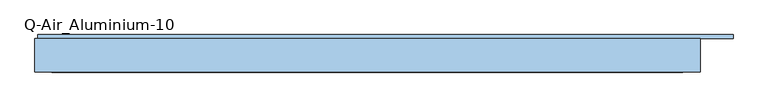
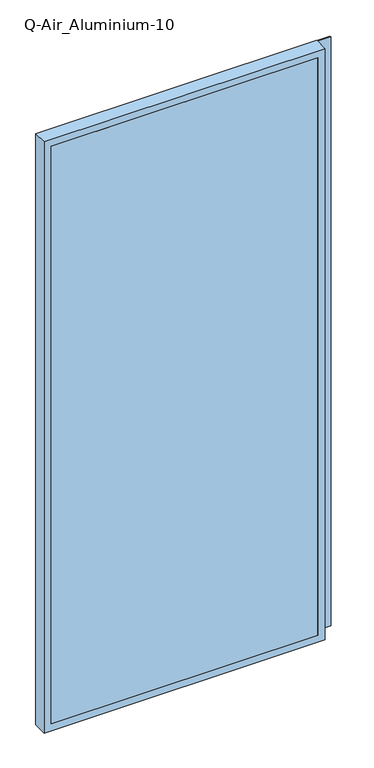
"""IFC4 building model written with IfcOpenShell, lengths in millimetres: window geometry, Q-Air_Aluminium-10."""

import ifcopenshell
import ifcopenshell.guid

model = None  # the IFC model being written
_history = None  # IfcOwnerHistory: only IFC2X3 demands one
_inside = {}  # id of a spatial element -> (the spatial element, [elements in it])
_under = {}  # id of a project, library or spatial element -> (it, [spatial elements below it])
_declared = {}  # id of a project -> (the project, [libraries it declares])
_typed = {}  # id of a type object -> (the type object, [elements of that type])
_made_of = {}  # id of a material, layer set ... -> (it, [elements and type objects made of it])


def new_model(schema):
    """Start an empty IFC model of exactly this schema.

    Asked for "IFC4X3", IfcOpenShell would pick the latest addendum, in which some entities
    have other attributes; the version numbers below select the first issue.
    IFC2X3 requires an IfcOwnerHistory on every rooted entity: one is made here for all.
    """
    global model, _history
    if schema == "IFC4X3":
        model = ifcopenshell.file(schema_version=(4, 3, 0, 0))
    else:
        model = ifcopenshell.file(schema=schema)
    _inside.clear()
    _under.clear()
    _declared.clear()
    _typed.clear()
    _made_of.clear()
    _history = None
    if model.schema == "IFC2X3":
        org = make("IfcOrganization", Name="unknown")
        user = make(
            "IfcPersonAndOrganization",
            ThePerson=make("IfcPerson", FamilyName="unknown"),
            TheOrganization=org,
        )
        app = make(
            "IfcApplication",
            ApplicationDeveloper=org,
            Version="unknown",
            ApplicationFullName="unknown",
            ApplicationIdentifier="unknown",
        )
        _history = make(
            "IfcOwnerHistory",
            OwningUser=user,
            OwningApplication=app,
            ChangeAction="ADDED",
            CreationDate=0,
        )
    return model


def make(cls, **values):
    """One entity of the class cls with the attributes given. An attribute that is None is left unset."""
    return model.create_entity(
        cls, **{name: value for name, value in values.items() if value is not None}
    )


def rooted(cls, **values):
    """An entity with a GlobalId (a new one), such as an element, a storey or a relation."""
    return make(cls, GlobalId=ifcopenshell.guid.new(), OwnerHistory=_history, **values)


def si_unit(unit_type, name, prefix=None):
    """IfcSIUnit, for example si_unit("LENGTHUNIT", "METRE", prefix="MILLI")."""
    return make("IfcSIUnit", UnitType=unit_type, Prefix=prefix, Name=name)


def assignment(units):
    """IfcUnitAssignment: the units of a project."""
    return None if units is None else make("IfcUnitAssignment", Units=units)


def point(xyz):
    """IfcCartesianPoint."""
    return None if xyz is None else make("IfcCartesianPoint", Coordinates=xyz)


def direction(xyz):
    """IfcDirection."""
    return None if xyz is None else make("IfcDirection", DirectionRatios=xyz)


def frame(location, z_axis=None, x_axis=None):
    """IfcAxis2Placement3D, a coordinate frame: its origin and axes. An axis left out is left unset."""
    return make(
        "IfcAxis2Placement3D",
        Location=point(location),
        Axis=direction(z_axis),
        RefDirection=direction(x_axis),
    )


def origin():
    """The frame at (0, 0, 0) with its axes left unset."""
    return frame((0.0, 0.0, 0.0))


def place(relative_to, where):
    """IfcLocalPlacement: puts the frame where relative to a parent placement (None: the world)."""
    return make(
        "IfcLocalPlacement", PlacementRelTo=relative_to, RelativePlacement=where
    )


def context(
    kind, dimensions, precision=None, world=None, true_north=None, identifier=None
):
    """IfcGeometricRepresentationContext, for example the 3D "Model" context."""
    return make(
        "IfcGeometricRepresentationContext",
        ContextIdentifier=identifier,
        ContextType=kind,
        CoordinateSpaceDimension=dimensions,
        Precision=precision,
        WorldCoordinateSystem=world,
        TrueNorth=true_north,
    )


def project(units=None, contexts=None):
    """IfcProject with its units and contexts."""
    return rooted(
        "IfcProject",
        Name="project",
        RepresentationContexts=contexts,
        UnitsInContext=assignment(units),
    )


def spatial(cls, under=None, at=None, **own):
    """A site, building, storey or space (cls), placed at a placement, below another one or the project."""
    s = rooted(cls, ObjectPlacement=at, **own)
    if under is not None:
        _under.setdefault(under.id(), (under, []))[1].append(s)
    return s


def polyline(points):
    """IfcPolyline through the points."""
    return make("IfcPolyline", Points=[point(p) for p in points])


def outline(outer, holes=None, kind="AREA"):
    """IfcArbitraryClosedProfileDef: a profile drawn as a closed curve; with holes, ...WithVoids."""
    if holes is None:
        return make("IfcArbitraryClosedProfileDef", ProfileType=kind, OuterCurve=outer)
    return make(
        "IfcArbitraryProfileDefWithVoids",
        ProfileType=kind,
        OuterCurve=outer,
        InnerCurves=holes,
    )


def extrude(swept, where, along, depth):
    """IfcExtrudedAreaSolid: the profile swept, set in the frame where, extruded along a direction by depth."""
    return make(
        "IfcExtrudedAreaSolid",
        SweptArea=swept,
        Position=where,
        ExtrudedDirection=direction(along),
        Depth=depth,
    )


def shape(context_of_items, identifier, shape_type, items):
    """IfcShapeRepresentation: the items that make up one representation, for example the "Body"."""
    return make(
        "IfcShapeRepresentation",
        ContextOfItems=context_of_items,
        RepresentationIdentifier=identifier,
        RepresentationType=shape_type,
        Items=items,
    )


def source(mapping_origin, context_of_items, identifier, shape_type, items):
    """IfcRepresentationMap: a shape defined once, which mapped items show again and again."""
    return make(
        "IfcRepresentationMap",
        MappingOrigin=mapping_origin,
        MappedRepresentation=shape(context_of_items, identifier, shape_type, items),
    )


def transform(
    local_origin,
    x_axis=None,
    y_axis=None,
    z_axis=None,
    scale=None,
    scale2=None,
    scale3=None,
    uniform=True,
):
    """IfcCartesianTransformationOperator3D, or its non-uniform kind. x_axis, y_axis, z_axis: its Axis1, 2, 3."""
    if uniform:
        return make(
            "IfcCartesianTransformationOperator3D",
            Axis1=direction(x_axis),
            Axis2=direction(y_axis),
            LocalOrigin=point(local_origin),
            Scale=scale,
            Axis3=direction(z_axis),
        )
    return make(
        "IfcCartesianTransformationOperator3DnonUniform",
        Axis1=direction(x_axis),
        Axis2=direction(y_axis),
        LocalOrigin=point(local_origin),
        Scale=scale,
        Axis3=direction(z_axis),
        Scale2=scale2,
        Scale3=scale3,
    )


def mapped(mapping_source, mapping_target):
    """IfcMappedItem: shows the shape of a source again, moved by a transform."""
    return make(
        "IfcMappedItem", MappingSource=mapping_source, MappingTarget=mapping_target
    )


def made_of(thing, what):
    """Note that an element or type object is made of a material, layer set ...; save() writes the relation."""
    if what is not None:
        _made_of.setdefault(what.id(), (what, []))[1].append(thing)
    return thing


def element(
    cls,
    number,
    at=None,
    inside=None,
    cuts=None,
    type_object=None,
    material=None,
    context=None,
    identifier="Body",
    shape_type=None,
    held_by="IfcProductDefinitionShape",
    body=None,
    shapes=None,
    **own,
):
    """One element of the class cls, such as IfcWall. Its Tag is "e" and its number.

    at: its placement. inside: the storey or other place that contains it. cuts: it is an
    opening in that element (IfcRelVoidsElement). A single representation is given by context,
    identifier, shape_type and body (its items); several are given by shapes. held_by: the class
    of the entity that holds the representations. save() writes the other relations.
    """
    e = rooted(cls, Tag="e%d" % number, ObjectPlacement=at, **own)
    if body is not None:
        shapes = [shape(context, identifier, shape_type, body)]
    if shapes is not None:
        e.Representation = make(held_by, Representations=shapes)
    if inside is not None:
        _inside.setdefault(inside.id(), (inside, []))[1].append(e)
    if cuts is not None:
        rooted(
            "IfcRelVoidsElement", RelatingBuildingElement=cuts, RelatedOpeningElement=e
        )
    if type_object is not None:
        _typed.setdefault(type_object.id(), (type_object, []))[1].append(e)
    return made_of(e, material)


def aggregate(whole, parts):
    """IfcRelAggregates: a whole, such as a stair, and the parts it consists of."""
    return rooted("IfcRelAggregates", RelatingObject=whole, RelatedObjects=parts)


def save(model, path):
    """Write the relations noted so far, then the file.

    IfcRelAggregates (storeys below a building ...), IfcRelContainedInSpatialStructure (elements
    in a storey), IfcRelDefinesByType, IfcRelAssociatesMaterial and IfcRelDeclares: one each for
    every whole, place, type object, material and project.
    """
    for whole, parts in _under.values():
        aggregate(whole, parts)
    for where, things in _inside.values():
        rooted(
            "IfcRelContainedInSpatialStructure",
            RelatedElements=things,
            RelatingStructure=where,
        )
    for kind, things in _typed.values():
        rooted("IfcRelDefinesByType", RelatedObjects=things, RelatingType=kind)
    for what, things in _made_of.values():
        rooted("IfcRelAssociatesMaterial", RelatedObjects=things, RelatingMaterial=what)
    for by, libraries in _declared.values():
        rooted("IfcRelDeclares", RelatingContext=by, RelatedDefinitions=libraries)
    model.write(path)


def q_air_aluminium_10_6ef18bc1(model_context):
    return source(origin(), model_context, "Body", "SweptSolid", [
        extrude(outline(polyline([(5020.0, 1130.0000001), (5020.0, -1130.0000001), (0.0, -1130.0000001), (0.0, 1130.0000001), (5020.0, 1130.0000001)]), holes=[polyline([(4962.0, 1072.0000001), (58.0, 1072.0000001), (58.0, -1072.0000001), (4962.0, -1072.0000001), (4962.0, 1072.0000001)])]), frame((0.0, 0.0, 0.0), z_axis=(0.0, 1.0, 0.0), x_axis=(0.0, 0.0, 1.0)), (0.0, 0.0, 1.0), 114.5),
        extrude(outline(polyline([(1072.0000001, 0.0), (-1072.0000001, 0.0), (-1072.0000001, 12.5), (1072.0000001, 12.5), (1072.0000001, 0.0)])), frame((0.0, 0.0, 58.0), z_axis=(0.0, 0.0, 1.0), x_axis=(1.0, 0.0, 0.0)), (0.0, 0.0, 1.0), 4904.0),
        extrude(outline(polyline([(1242.4000001, 114.5), (-1120.0000001, 114.5), (-1120.0000001, 127.0), (1242.4000001, 127.0), (1242.4000001, 114.5)])), frame((0.0, 0.0, 10.0), z_axis=(0.0, 0.0, 1.0), x_axis=(1.0, 0.0, 0.0)), (0.0, 0.0, 1.0), 5000.0),
        extrude(outline(polyline([(5010.0, 1242.4000001), (5010.0, -1120.0000001), (10.0, -1120.0000001), (10.0, 1242.4000001), (5010.0, 1242.4000001)]), holes=[polyline([(4962.0, 1072.0000001), (58.0, 1072.0000001), (58.0, -1072.0000001), (4962.0, -1072.0000001), (4962.0, 1072.0000001)])]), frame((0.0, 114.5, 0.0), z_axis=(0.0, 1.0, 0.0), x_axis=(0.0, 0.0, 1.0)), (0.0, 0.0, 1.0), 4.0),
    ])


if __name__ == "__main__":
    model = new_model("IFC4")
    model_context = context("Model", 3, world=origin())
    ifc_project = project(units=[si_unit("LENGTHUNIT", "METRE", prefix="MILLI")], contexts=[model_context])
    site = spatial("IfcSite", under=ifc_project)
    building = spatial("IfcBuilding", under=site)
    placement = place(None, origin())
    q_air_aluminium_10_shape = q_air_aluminium_10_6ef18bc1(model_context)
    element("IfcWindow", 1, ObjectType="Q-Air_Aluminium-10", at=placement, inside=building, context=model_context, shape_type="MappedRepresentation", body=[
        mapped(q_air_aluminium_10_shape, transform((0.0, 0.0, 0.0), x_axis=(1.0, 0.0, 0.0), y_axis=(0.0, 1.0, 0.0), z_axis=(0.0, 0.0, 1.0))),
    ])
    save(model, "model.ifc")
